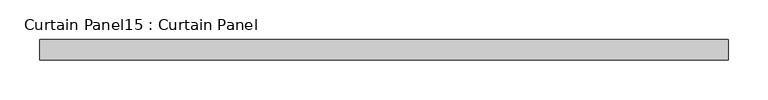
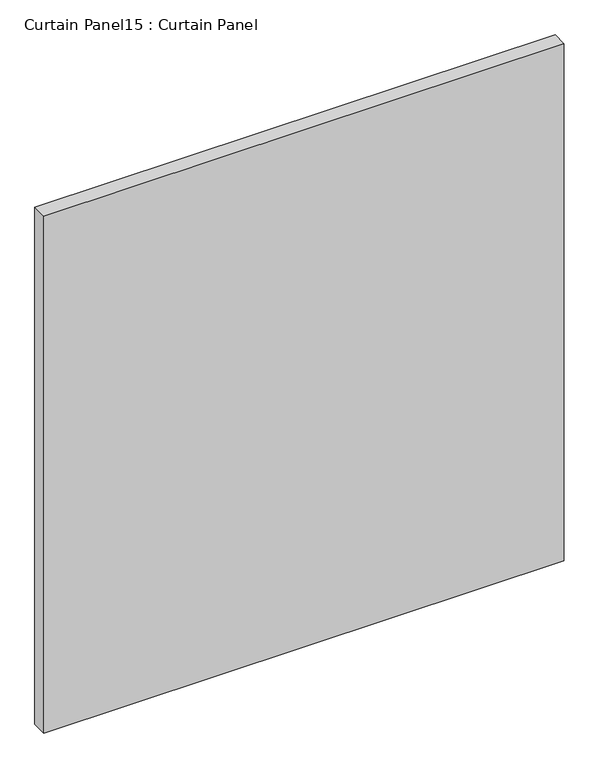
"""IFC4 building model written with IfcOpenShell, lengths in millimetres: plate geometry, Curtain Panel15 : Curtain Panel."""

from ifc_helpers import new_model, si_unit, frame, origin, place, context, project, spatial, polyline, outline, extrude, source, transform, mapped, element, save


def curtain_panel15_curtain_panel_ad482238(model_context):
    return source(origin(), model_context, "Body", "SweptSolid", [
        extrude(outline(polyline([(9654.2924629, 2827.780256), (8790.6926953, 2827.780256), (8790.6926953, 2853.180256), (9654.2924629, 2853.180256), (9654.2924629, 2827.780256)])), frame((0.0, 0.0, 279.0674217), z_axis=(0.0, 0.0, 1.0), x_axis=(1.0, 0.0, 0.0)), (0.0, 0.0, 1.0), 906.6628155),
    ])


if __name__ == "__main__":
    model = new_model("IFC4")
    model_context = context("Model", 3, world=origin())
    ifc_project = project(units=[si_unit("LENGTHUNIT", "METRE", prefix="MILLI")], contexts=[model_context])
    site = spatial("IfcSite", under=ifc_project)
    building = spatial("IfcBuilding", under=site)
    placement = place(None, origin())
    curtain_panel15_curtain_panel_shape = curtain_panel15_curtain_panel_ad482238(model_context)
    element("IfcPlate", 1, ObjectType="Curtain Panel15 : Curtain Panel", at=placement, inside=building, context=model_context, shape_type="MappedRepresentation", body=[
        mapped(curtain_panel15_curtain_panel_shape, transform((0.0, 0.0, 0.0), x_axis=(1.0, 0.0, 0.0), y_axis=(0.0, 1.0, 0.0), z_axis=(0.0, 0.0, 1.0))),
    ])
    save(model, "model.ifc")
